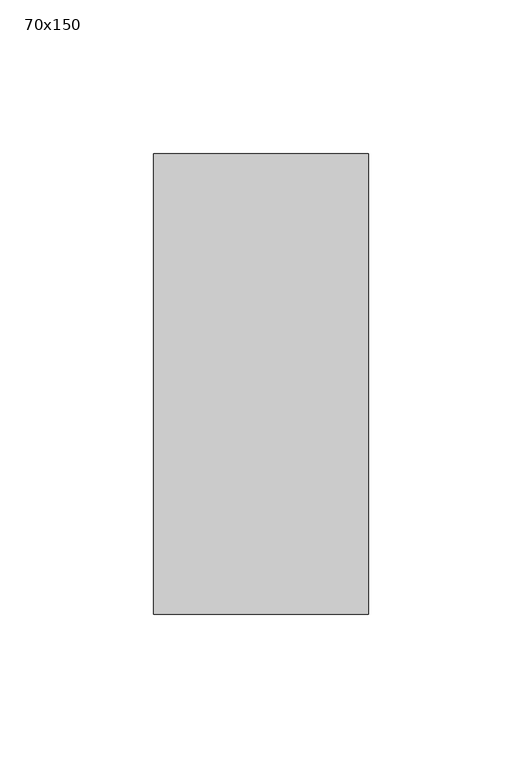
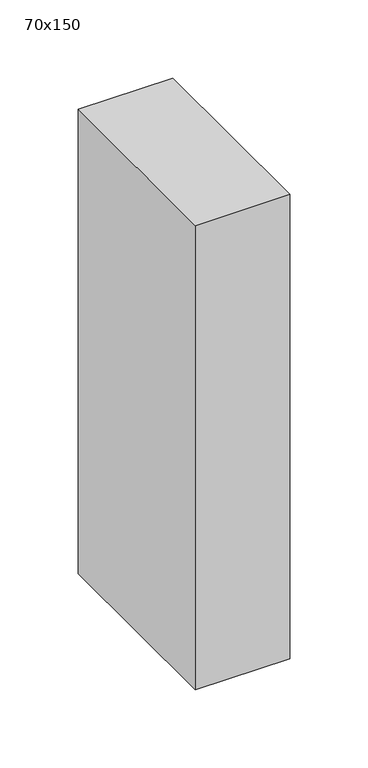
"""IFC4 building model written with IfcOpenShell, lengths in millimetres: member geometry, 70x150."""

from ifc_helpers import new_model, si_unit, frame, origin, place, context, project, spatial, polyline, outline, extrude, source, transform, mapped, element, save


def member_70x150_653059c5(model_context):
    return source(origin(), model_context, "Body", "SweptSolid", [
        extrude(outline(polyline([(0.0, 75.0), (0.0, -75.0), (-70.0, -75.0), (-70.0, 75.0), (0.0, 75.0)])), frame((0.0, 0.0, -363.3333333), z_axis=(0.0, 0.0, 1.0), x_axis=(1.0, 0.0, 0.0)), (0.0, 0.0, 1.0), 363.3333333),
    ])


if __name__ == "__main__":
    model = new_model("IFC4")
    model_context = context("Model", 3, world=origin())
    ifc_project = project(units=[si_unit("LENGTHUNIT", "METRE", prefix="MILLI")], contexts=[model_context])
    site = spatial("IfcSite", under=ifc_project)
    building = spatial("IfcBuilding", under=site)
    placement = place(None, origin())
    member_70x150_shape = member_70x150_653059c5(model_context)
    element("IfcMember", 1, ObjectType="70x150", at=placement, inside=building, context=model_context, shape_type="MappedRepresentation", body=[
        mapped(member_70x150_shape, transform((0.0, 0.0, 0.0), x_axis=(1.0, 0.0, 0.0), y_axis=(0.0, 1.0, 0.0), z_axis=(0.0, 0.0, 1.0))),
    ])
    save(model, "model.ifc")
